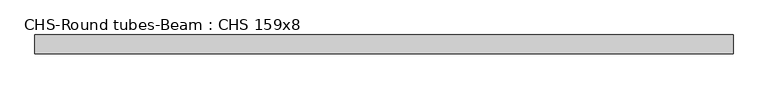
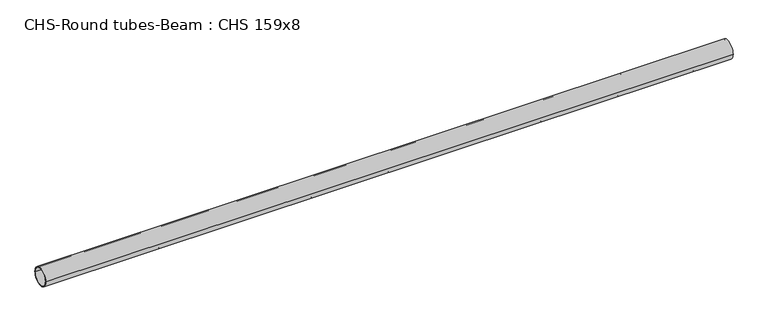
"""IFC4 building model written with IfcOpenShell, lengths in millimetres: beam geometry, CHS-Round tubes-Beam : CHS 159x8."""

from ifc_helpers import new_model, si_unit, point, frame, origin, origin_2d, place, context, project, spatial, circle_curve, trimmed, segment, composite_curve, outline, extrude, source, transform, mapped, element, save


def chs_round_tubes_beam_chs_159x8_536df574(model_context):
    return source(origin(), model_context, "Body", "SweptSolid", [
        extrude(outline(composite_curve([segment(trimmed(circle_curve(origin_2d(), 79.5), [point((79.5, 0.0))], [point((-79.5, 0.0))], False, "CARTESIAN"), True, "CONTINUOUS"), segment(trimmed(circle_curve(origin_2d(), 79.5), [point((-79.5, 0.0))], [point((79.5, 0.0))], False, "CARTESIAN"), True, "CONTINUOUS")], self_intersect=False), holes=[composite_curve([segment(trimmed(circle_curve(origin_2d(), 71.5), [point((71.5, 0.0))], [point((-71.5, 0.0))], True, "CARTESIAN"), True, "CONTINUOUS"), segment(trimmed(circle_curve(origin_2d(), 71.5), [point((-71.5, 0.0))], [point((71.5, 0.0))], True, "CARTESIAN"), True, "CONTINUOUS")], self_intersect=False)]), frame((-2941.1774181, 0.0, 0.0), z_axis=(1.0, 0.0, 0.0), x_axis=(0.0, 1.0, 0.0)), (0.0, 0.0, 1.0), 5882.3548362),
    ])


if __name__ == "__main__":
    model = new_model("IFC4")
    model_context = context("Model", 3, world=origin())
    ifc_project = project(units=[si_unit("LENGTHUNIT", "METRE", prefix="MILLI")], contexts=[model_context])
    site = spatial("IfcSite", under=ifc_project)
    building = spatial("IfcBuilding", under=site)
    placement = place(None, origin())
    chs_round_tubes_beam_chs_159x8_shape = chs_round_tubes_beam_chs_159x8_536df574(model_context)
    element("IfcBeam", 1, ObjectType="CHS-Round tubes-Beam : CHS 159x8", at=placement, inside=building, context=model_context, shape_type="MappedRepresentation", body=[
        mapped(chs_round_tubes_beam_chs_159x8_shape, transform((0.0, 0.0, 0.0), x_axis=(1.0, 0.0, 0.0), y_axis=(0.0, 1.0, 0.0), z_axis=(0.0, 0.0, 1.0))),
    ])
    save(model, "model.ifc")
